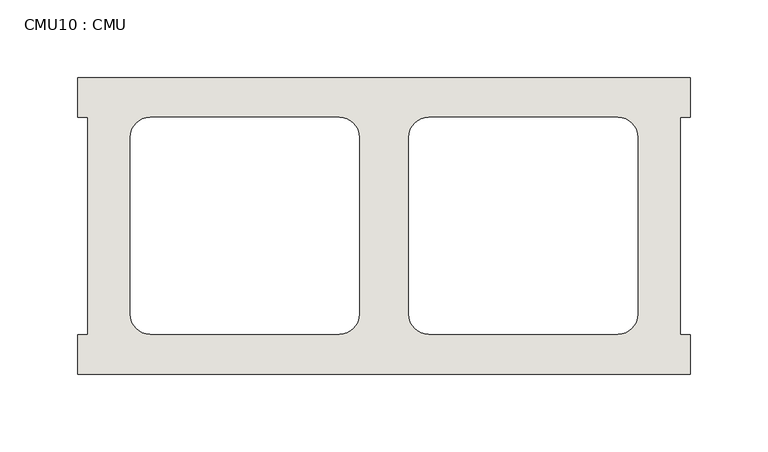
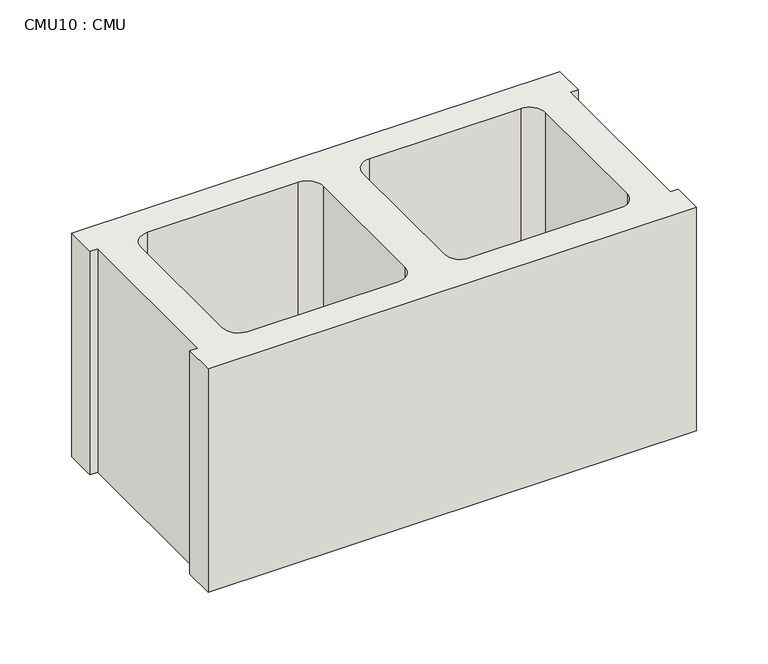
"""IFC4 building model written with IfcOpenShell, lengths in millimetres: wall geometry, CMU10 : CMU."""

from ifc_helpers import new_model, si_unit, point, frame, frame_2d, origin, place, context, project, spatial, polyline, circle_curve, trimmed, segment, composite_curve, outline, extrude, source, transform, mapped, element, save


def cmu10_cmu_4bf4e18b(model_context):
    return source(origin(), model_context, "Body", "SweptSolid", [
        extrude(outline(polyline([(-354.1397938, 2484.2276522), (39.5602062, 2484.2276522), (39.5602062, 2458.8276522), (33.2102062, 2458.8276522), (33.2102062, 2319.1276522), (39.5602062, 2319.1276522), (39.5602062, 2293.7276522), (-354.1397938, 2293.7276522), (-354.1397938, 2319.1276522), (-347.7897938, 2319.1276522), (-347.7897938, 2458.8276522), (-354.1397938, 2458.8276522), (-354.1397938, 2484.2276522)]), holes=[composite_curve([segment(polyline([(-185.9717951, 2458.8276522), (-307.6884452, 2458.8276522)]), True, "CONTINUOUS"), segment(trimmed(circle_curve(frame_2d((-307.6884452, 2446.1276522)), 12.7), [point((-307.6884452, 2458.8276522))], [point((-320.3884452, 2446.1276522))], True, "CARTESIAN"), True, "CONTINUOUS"), segment(polyline([(-320.3884452, 2446.1276522), (-320.3884452, 2332.0618125)]), True, "CONTINUOUS"), segment(trimmed(circle_curve(frame_2d((-307.6884452, 2332.0618125)), 12.7), [point((-320.3884452, 2332.0618125))], [point((-307.6884452, 2319.3618125))], True, "CARTESIAN"), True, "CONTINUOUS"), segment(polyline([(-307.6884452, 2319.3618125), (-185.9717951, 2319.3618125)]), True, "CONTINUOUS"), segment(trimmed(circle_curve(frame_2d((-185.9717951, 2332.0618125)), 12.7), [point((-185.9717951, 2319.3618125))], [point((-173.2717951, 2332.0618125))], True, "CARTESIAN"), True, "CONTINUOUS"), segment(polyline([(-173.2717951, 2332.0618125), (-173.2717951, 2446.1276522)]), True, "CONTINUOUS"), segment(trimmed(circle_curve(frame_2d((-185.9717951, 2446.1276522)), 12.7), [point((-173.2717951, 2446.1276522))], [point((-185.9717951, 2458.8276522))], True, "CARTESIAN"), True, "CONTINUOUS")], self_intersect=False), composite_curve([segment(trimmed(circle_curve(frame_2d((-128.6077925, 2446.1276522)), 12.7), [point((-128.6077925, 2458.8276522))], [point((-141.3077925, 2446.1276522))], True, "CARTESIAN"), True, "CONTINUOUS"), segment(polyline([(-141.3077925, 2446.1276522), (-141.3077925, 2332.0618125)]), True, "CONTINUOUS"), segment(trimmed(circle_curve(frame_2d((-128.6077925, 2332.0618125)), 12.7), [point((-141.3077925, 2332.0618125))], [point((-128.6077925, 2319.3618125))], True, "CARTESIAN"), True, "CONTINUOUS"), segment(polyline([(-128.6077925, 2319.3618125), (-6.8911424, 2319.3618125)]), True, "CONTINUOUS"), segment(trimmed(circle_curve(frame_2d((-6.8911424, 2332.0618125)), 12.7), [point((-6.8911424, 2319.3618125))], [point((5.8088576, 2332.0618125))], True, "CARTESIAN"), True, "CONTINUOUS"), segment(polyline([(5.8088576, 2332.0618125), (5.8088576, 2446.1276522)]), True, "CONTINUOUS"), segment(trimmed(circle_curve(frame_2d((-6.8911424, 2446.1276522)), 12.7), [point((5.8088576, 2446.1276522))], [point((-6.8911424, 2458.8276522))], True, "CARTESIAN"), True, "CONTINUOUS"), segment(polyline([(-6.8911424, 2458.8276522), (-128.6077925, 2458.8276522)]), True, "CONTINUOUS")], self_intersect=False)]), frame((0.0, 0.0, 317.5), z_axis=(0.0, 0.0, 1.0), x_axis=(1.0, 0.0, 0.0)), (0.0, 0.0, 1.0), 190.5),
    ])


if __name__ == "__main__":
    model = new_model("IFC4")
    model_context = context("Model", 3, world=origin())
    ifc_project = project(units=[si_unit("LENGTHUNIT", "METRE", prefix="MILLI")], contexts=[model_context])
    site = spatial("IfcSite", under=ifc_project)
    building = spatial("IfcBuilding", under=site)
    placement = place(None, origin())
    cmu10_cmu_shape = cmu10_cmu_4bf4e18b(model_context)
    element("IfcWall", 1, ObjectType="CMU10 : CMU", at=placement, inside=building, context=model_context, shape_type="MappedRepresentation", body=[
        mapped(cmu10_cmu_shape, transform((0.0, 0.0, 0.0), x_axis=(1.0, 0.0, 0.0), y_axis=(0.0, 1.0, 0.0), z_axis=(0.0, 0.0, 1.0))),
    ])
    save(model, "model.ifc")
